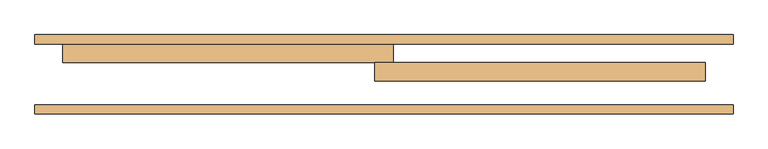
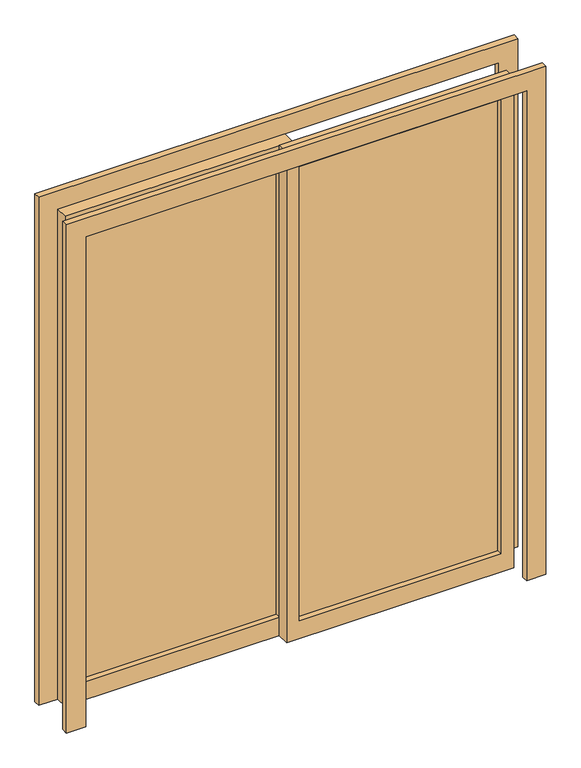
"""IFC4 building model written with IfcOpenShell, lengths in millimetres: door geometry."""

import ifcopenshell
import ifcopenshell.guid

model = None  # the IFC model being written
_history = None  # IfcOwnerHistory: only IFC2X3 demands one
_inside = {}  # id of a spatial element -> (the spatial element, [elements in it])
_under = {}  # id of a project, library or spatial element -> (it, [spatial elements below it])
_declared = {}  # id of a project -> (the project, [libraries it declares])
_typed = {}  # id of a type object -> (the type object, [elements of that type])
_made_of = {}  # id of a material, layer set ... -> (it, [elements and type objects made of it])


def new_model(schema):
    """Start an empty IFC model of exactly this schema.

    Asked for "IFC4X3", IfcOpenShell would pick the latest addendum, in which some entities
    have other attributes; the version numbers below select the first issue.
    IFC2X3 requires an IfcOwnerHistory on every rooted entity: one is made here for all.
    """
    global model, _history
    if schema == "IFC4X3":
        model = ifcopenshell.file(schema_version=(4, 3, 0, 0))
    else:
        model = ifcopenshell.file(schema=schema)
    _inside.clear()
    _under.clear()
    _declared.clear()
    _typed.clear()
    _made_of.clear()
    _history = None
    if model.schema == "IFC2X3":
        org = make("IfcOrganization", Name="unknown")
        user = make(
            "IfcPersonAndOrganization",
            ThePerson=make("IfcPerson", FamilyName="unknown"),
            TheOrganization=org,
        )
        app = make(
            "IfcApplication",
            ApplicationDeveloper=org,
            Version="unknown",
            ApplicationFullName="unknown",
            ApplicationIdentifier="unknown",
        )
        _history = make(
            "IfcOwnerHistory",
            OwningUser=user,
            OwningApplication=app,
            ChangeAction="ADDED",
            CreationDate=0,
        )
    return model


def make(cls, **values):
    """One entity of the class cls with the attributes given. An attribute that is None is left unset."""
    return model.create_entity(
        cls, **{name: value for name, value in values.items() if value is not None}
    )


def rooted(cls, **values):
    """An entity with a GlobalId (a new one), such as an element, a storey or a relation."""
    return make(cls, GlobalId=ifcopenshell.guid.new(), OwnerHistory=_history, **values)


def si_unit(unit_type, name, prefix=None):
    """IfcSIUnit, for example si_unit("LENGTHUNIT", "METRE", prefix="MILLI")."""
    return make("IfcSIUnit", UnitType=unit_type, Prefix=prefix, Name=name)


def assignment(units):
    """IfcUnitAssignment: the units of a project."""
    return None if units is None else make("IfcUnitAssignment", Units=units)


def point(xyz):
    """IfcCartesianPoint."""
    return None if xyz is None else make("IfcCartesianPoint", Coordinates=xyz)


def direction(xyz):
    """IfcDirection."""
    return None if xyz is None else make("IfcDirection", DirectionRatios=xyz)


def frame(location, z_axis=None, x_axis=None):
    """IfcAxis2Placement3D, a coordinate frame: its origin and axes. An axis left out is left unset."""
    return make(
        "IfcAxis2Placement3D",
        Location=point(location),
        Axis=direction(z_axis),
        RefDirection=direction(x_axis),
    )


def origin():
    """The frame at (0, 0, 0) with its axes left unset."""
    return frame((0.0, 0.0, 0.0))


def place(relative_to, where):
    """IfcLocalPlacement: puts the frame where relative to a parent placement (None: the world)."""
    return make(
        "IfcLocalPlacement", PlacementRelTo=relative_to, RelativePlacement=where
    )


def context(
    kind, dimensions, precision=None, world=None, true_north=None, identifier=None
):
    """IfcGeometricRepresentationContext, for example the 3D "Model" context."""
    return make(
        "IfcGeometricRepresentationContext",
        ContextIdentifier=identifier,
        ContextType=kind,
        CoordinateSpaceDimension=dimensions,
        Precision=precision,
        WorldCoordinateSystem=world,
        TrueNorth=true_north,
    )


def project(units=None, contexts=None):
    """IfcProject with its units and contexts."""
    return rooted(
        "IfcProject",
        Name="project",
        RepresentationContexts=contexts,
        UnitsInContext=assignment(units),
    )


def spatial(cls, under=None, at=None, **own):
    """A site, building, storey or space (cls), placed at a placement, below another one or the project."""
    s = rooted(cls, ObjectPlacement=at, **own)
    if under is not None:
        _under.setdefault(under.id(), (under, []))[1].append(s)
    return s


def polyline(points):
    """IfcPolyline through the points."""
    return make("IfcPolyline", Points=[point(p) for p in points])


def outline(outer, holes=None, kind="AREA"):
    """IfcArbitraryClosedProfileDef: a profile drawn as a closed curve; with holes, ...WithVoids."""
    if holes is None:
        return make("IfcArbitraryClosedProfileDef", ProfileType=kind, OuterCurve=outer)
    return make(
        "IfcArbitraryProfileDefWithVoids",
        ProfileType=kind,
        OuterCurve=outer,
        InnerCurves=holes,
    )


def extrude(swept, where, along, depth):
    """IfcExtrudedAreaSolid: the profile swept, set in the frame where, extruded along a direction by depth."""
    return make(
        "IfcExtrudedAreaSolid",
        SweptArea=swept,
        Position=where,
        ExtrudedDirection=direction(along),
        Depth=depth,
    )


def shape(context_of_items, identifier, shape_type, items):
    """IfcShapeRepresentation: the items that make up one representation, for example the "Body"."""
    return make(
        "IfcShapeRepresentation",
        ContextOfItems=context_of_items,
        RepresentationIdentifier=identifier,
        RepresentationType=shape_type,
        Items=items,
    )


def source(mapping_origin, context_of_items, identifier, shape_type, items):
    """IfcRepresentationMap: a shape defined once, which mapped items show again and again."""
    return make(
        "IfcRepresentationMap",
        MappingOrigin=mapping_origin,
        MappedRepresentation=shape(context_of_items, identifier, shape_type, items),
    )


def transform(
    local_origin,
    x_axis=None,
    y_axis=None,
    z_axis=None,
    scale=None,
    scale2=None,
    scale3=None,
    uniform=True,
):
    """IfcCartesianTransformationOperator3D, or its non-uniform kind. x_axis, y_axis, z_axis: its Axis1, 2, 3."""
    if uniform:
        return make(
            "IfcCartesianTransformationOperator3D",
            Axis1=direction(x_axis),
            Axis2=direction(y_axis),
            LocalOrigin=point(local_origin),
            Scale=scale,
            Axis3=direction(z_axis),
        )
    return make(
        "IfcCartesianTransformationOperator3DnonUniform",
        Axis1=direction(x_axis),
        Axis2=direction(y_axis),
        LocalOrigin=point(local_origin),
        Scale=scale,
        Axis3=direction(z_axis),
        Scale2=scale2,
        Scale3=scale3,
    )


def mapped(mapping_source, mapping_target):
    """IfcMappedItem: shows the shape of a source again, moved by a transform."""
    return make(
        "IfcMappedItem", MappingSource=mapping_source, MappingTarget=mapping_target
    )


def made_of(thing, what):
    """Note that an element or type object is made of a material, layer set ...; save() writes the relation."""
    if what is not None:
        _made_of.setdefault(what.id(), (what, []))[1].append(thing)
    return thing


def element(
    cls,
    number,
    at=None,
    inside=None,
    cuts=None,
    type_object=None,
    material=None,
    context=None,
    identifier="Body",
    shape_type=None,
    held_by="IfcProductDefinitionShape",
    body=None,
    shapes=None,
    **own,
):
    """One element of the class cls, such as IfcWall. Its Tag is "e" and its number.

    at: its placement. inside: the storey or other place that contains it. cuts: it is an
    opening in that element (IfcRelVoidsElement). A single representation is given by context,
    identifier, shape_type and body (its items); several are given by shapes. held_by: the class
    of the entity that holds the representations. save() writes the other relations.
    """
    e = rooted(cls, Tag="e%d" % number, ObjectPlacement=at, **own)
    if body is not None:
        shapes = [shape(context, identifier, shape_type, body)]
    if shapes is not None:
        e.Representation = make(held_by, Representations=shapes)
    if inside is not None:
        _inside.setdefault(inside.id(), (inside, []))[1].append(e)
    if cuts is not None:
        rooted(
            "IfcRelVoidsElement", RelatingBuildingElement=cuts, RelatedOpeningElement=e
        )
    if type_object is not None:
        _typed.setdefault(type_object.id(), (type_object, []))[1].append(e)
    return made_of(e, material)


def aggregate(whole, parts):
    """IfcRelAggregates: a whole, such as a stair, and the parts it consists of."""
    return rooted("IfcRelAggregates", RelatingObject=whole, RelatedObjects=parts)


def save(model, path):
    """Write the relations noted so far, then the file.

    IfcRelAggregates (storeys below a building ...), IfcRelContainedInSpatialStructure (elements
    in a storey), IfcRelDefinesByType, IfcRelAssociatesMaterial and IfcRelDeclares: one each for
    every whole, place, type object, material and project.
    """
    for whole, parts in _under.values():
        aggregate(whole, parts)
    for where, things in _inside.values():
        rooted(
            "IfcRelContainedInSpatialStructure",
            RelatedElements=things,
            RelatingStructure=where,
        )
    for kind, things in _typed.values():
        rooted("IfcRelDefinesByType", RelatedObjects=things, RelatingType=kind)
    for what, things in _made_of.values():
        rooted("IfcRelAssociatesMaterial", RelatedObjects=things, RelatingMaterial=what)
    for by, libraries in _declared.values():
        rooted("IfcRelDeclares", RelatingContext=by, RelatedDefinitions=libraries)
    model.write(path)


def door_10351cd0(model_context):
    return source(origin(), model_context, "Body", "SweptSolid", [
        extrude(outline(polyline([(25.4, 137.175), (815.0, 137.175), (815.0, 130.825), (25.4, 130.825), (25.4, 137.175)])), frame((0.0, 0.0, 75.0), z_axis=(0.0, 0.0, 1.0), x_axis=(1.0, 0.0, 0.0)), (0.0, 0.0, 1.0), 1882.0),
        extrude(outline(polyline([(2032.0, -25.4), (0.0, -25.4), (0.0, 865.0), (2032.0, 865.0), (2032.0, -25.4)]), holes=[polyline([(1957.0, 24.6), (1957.0, 815.0), (75.0, 815.0), (75.0, 24.6), (1957.0, 24.6)])]), frame((0.0, 109.0, 0.0), z_axis=(0.0, 1.0, 0.0), x_axis=(0.0, 0.0, 1.0)), (0.0, 0.0, 1.0), 50.0),
        extrude(outline(polyline([(-815.0, 187.175), (-24.6, 187.175), (-24.6, 180.825), (-815.0, 180.825), (-815.0, 187.175)])), frame((0.0, 0.0, 75.0), z_axis=(0.0, 0.0, 1.0), x_axis=(1.0, 0.0, 0.0)), (0.0, 0.0, 1.0), 1882.0),
        extrude(outline(polyline([(2032.0, 25.4), (2032.0, -865.0), (0.0, -865.0), (0.0, 25.4), (2032.0, 25.4)]), holes=[polyline([(1957.0, -24.6), (75.0, -24.6), (75.0, -815.0), (1957.0, -815.0), (1957.0, -24.6)])]), frame((0.0, 159.0, 0.0), z_axis=(0.0, 1.0, 0.0), x_axis=(0.0, 0.0, 1.0)), (0.0, 0.0, 1.0), 50.0),
        extrude(outline(polyline([(0.0, -940.0), (0.0, -865.0), (2032.0, -865.0), (2032.0, 865.0), (0.0, 865.0), (0.0, 940.0), (2107.0, 940.0), (2107.0, -940.0), (0.0, -940.0)])), frame((0.0, 20.0, 0.0), z_axis=(0.0, 1.0, 0.0), x_axis=(0.0, 0.0, 1.0)), (0.0, 0.0, 1.0), 25.0),
        extrude(outline(polyline([(0.0, 940.0), (2107.0, 940.0), (2107.0, -940.0), (0.0, -940.0), (0.0, -865.0), (2032.0, -865.0), (2032.0, 865.0), (0.0, 865.0), (0.0, 940.0)])), frame((0.0, 209.0, 0.0), z_axis=(0.0, 1.0, 0.0), x_axis=(0.0, 0.0, 1.0)), (0.0, 0.0, 1.0), 25.0),
    ])


if __name__ == "__main__":
    model = new_model("IFC4")
    model_context = context("Model", 3, world=origin())
    ifc_project = project(units=[si_unit("LENGTHUNIT", "METRE", prefix="MILLI")], contexts=[model_context])
    site = spatial("IfcSite", under=ifc_project)
    building = spatial("IfcBuilding", under=site)
    placement = place(None, origin())
    door_shape = door_10351cd0(model_context)
    element("IfcDoor", 1, at=placement, inside=building, context=model_context, shape_type="MappedRepresentation", body=[
        mapped(door_shape, transform((0.0, 0.0, 0.0), x_axis=(1.0, 0.0, 0.0), y_axis=(0.0, 1.0, 0.0), z_axis=(0.0, 0.0, 1.0))),
    ])
    save(model, "model.ifc")
